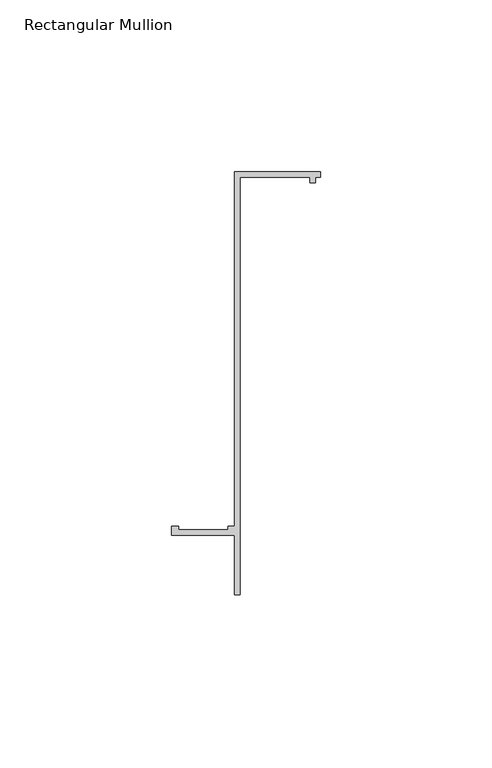
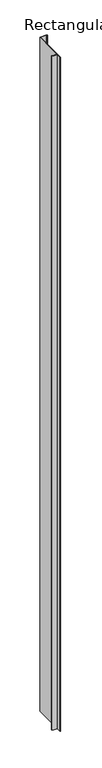
"""IFC4 building model written with IfcOpenShell, lengths in millimetres: member geometry, Rectangular Mullion."""

from ifc_helpers import new_model, si_unit, frame, origin, place, context, project, spatial, polyline, outline, extrude, source, transform, mapped, element, save


def rectangular_mullion_73251808(model_context):
    return source(origin(), model_context, "Body", "SweptSolid", [
        extrude(outline(polyline([(2e-07, 55.1996656), (0.0, 53.5996656), (-1.4, 53.5996657), (-1.4000002, 51.9996657), (-3.0000002, 51.9996659), (-3.0, 53.5996659), (-23.4, 53.5996679), (-23.4000119, -68.0000321), (-25.0000119, -68.000032), (-25.0000102, -50.600032), (-43.4000102, -50.6000302), (-43.40001, -48.0000302), (-41.4017469, -48.0000304), (-41.4017469, -49.0000304), (-27.0000101, -49.0000318), (-27.0000101, -48.0000318), (-25.00001, -48.000032), (-24.9999998, 55.199668), (2e-07, 55.1996656)])), frame((0.0, 0.0, -2500.0), z_axis=(0.0, 0.0, 1.0), x_axis=(1.0, 0.0, 0.0)), (0.0, 0.0, 1.0), 2500.0),
    ])


if __name__ == "__main__":
    model = new_model("IFC4")
    model_context = context("Model", 3, world=origin())
    ifc_project = project(units=[si_unit("LENGTHUNIT", "METRE", prefix="MILLI")], contexts=[model_context])
    site = spatial("IfcSite", under=ifc_project)
    building = spatial("IfcBuilding", under=site)
    placement = place(None, origin())
    rectangular_mullion_shape = rectangular_mullion_73251808(model_context)
    element("IfcMember", 1, ObjectType="Rectangular Mullion", at=placement, inside=building, context=model_context, shape_type="MappedRepresentation", body=[
        mapped(rectangular_mullion_shape, transform((0.0, 0.0, 0.0), x_axis=(1.0, 0.0, 0.0), y_axis=(0.0, 1.0, 0.0), z_axis=(0.0, 0.0, 1.0))),
    ])
    save(model, "model.ifc")
